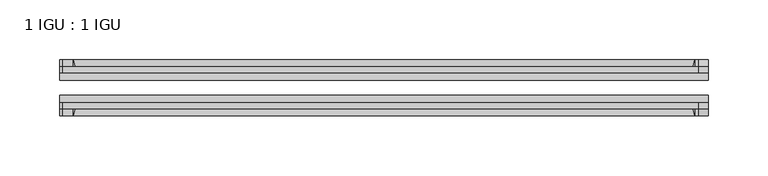
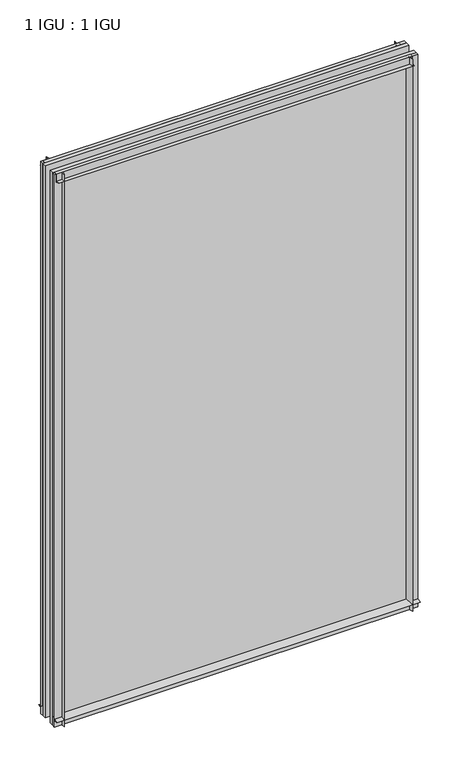
"""IFC4 building model written with IfcOpenShell, lengths in millimetres: plate geometry, 1 IGU : 1 IGU."""

from ifc_helpers import new_model, si_unit, point, frame, frame_2d, origin, place, context, project, spatial, polyline, circle_curve, trimmed, segment, composite_curve, outline, extrude, source, transform, mapped, element, save


def plate_1_igu_1_igu_b889bf08(model_context):
    return source(origin(), model_context, "Body", "SweptSolid", [
        extrude(outline(composite_curve([segment(trimmed(circle_curve(frame_2d((-28.0741797, 32.2797688)), 32.7673262), [point((-44.45, 3.8979053))], [point((-33.7058, 1.48e-05))], True, "CARTESIAN"), True, "CONTINUOUS"), segment(polyline([(-33.7058, 1.48e-05), (-39.6748, 1.48e-05), (-39.6748, -10.31875), (-44.45, -10.31875), (-44.45, 3.8979053)]), True, "CONTINUOUS")], self_intersect=False)), frame((-271.4557531, 0.0, 0.0), z_axis=(1.0, 0.0, 0.0), x_axis=(0.0, 1.0, 0.0)), (0.0, 0.0, 1.0), 542.9115062),
        extrude(outline(composite_curve([segment(trimmed(circle_curve(frame_2d((-86.2258203, 32.2797602)), 32.7673262), [point((-80.5942354, 0.0))], [point((-69.85, 3.8978967))], True, "CARTESIAN"), True, "CONTINUOUS"), segment(polyline([(-69.85, 3.8978967), (-69.85, -10.31875), (-74.6252, -10.31875), (-74.6252, 0.0), (-80.5942354, 0.0)]), True, "CONTINUOUS")], self_intersect=False)), frame((-271.4557531, 0.0, 0.0), z_axis=(1.0, 0.0, 0.0), x_axis=(0.0, 1.0, 0.0)), (0.0, 0.0, 1.0), 542.9115062),
        extrude(outline(composite_curve([segment(polyline([(-80.5942, 850.9), (-74.6252, 850.9), (-74.6252, 862.0125), (-69.85, 862.0125), (-69.85, 847.0021095)]), True, "CONTINUOUS"), segment(trimmed(circle_curve(frame_2d((-86.2258203, 818.620246)), 32.7673262), [point((-69.85, 847.0021095))], [point((-80.5942, 850.9))], True, "CARTESIAN"), True, "CONTINUOUS")], self_intersect=False)), frame((-268.8559918, 0.0, 0.0), z_axis=(1.0, 0.0, 0.0), x_axis=(0.0, 1.0, 0.0)), (0.0, 0.0, 1.0), 531.7452064),
        extrude(outline(composite_curve([segment(polyline([(-39.6748, 862.0125), (-39.6748, 850.9), (-33.7058, 850.9)]), True, "CONTINUOUS"), segment(trimmed(circle_curve(frame_2d((-28.0741797, 818.620246)), 32.7673262), [point((-33.7058, 850.9))], [point((-44.45, 847.0021095))], True, "CARTESIAN"), True, "CONTINUOUS"), segment(polyline([(-44.45, 847.0021095), (-44.45, 862.0125), (-39.6748, 862.0125)]), True, "CONTINUOUS")], self_intersect=False)), frame((-268.8559918, 0.0, 0.0), z_axis=(1.0, 0.0, 0.0), x_axis=(0.0, 1.0, 0.0)), (0.0, 0.0, 1.0), 531.7452064),
        extrude(outline(composite_curve([segment(polyline([(271.4557531, -39.6748), (271.4557531, -44.45), (256.4453626, -44.45)]), True, "CONTINUOUS"), segment(trimmed(circle_curve(frame_2d((228.0634992, -28.0741797)), 32.7673262), [point((256.4453626, -44.45))], [point((260.3432531, -33.7058))], True, "CARTESIAN"), True, "CONTINUOUS"), segment(polyline([(260.3432531, -33.7058), (260.3432531, -39.6748), (271.4557531, -39.6748)]), True, "CONTINUOUS")], self_intersect=False)), frame((0.0, 0.0, -10.31875), z_axis=(0.0, 0.0, 1.0), x_axis=(1.0, 0.0, 0.0)), (0.0, 0.0, 1.0), 872.33125),
        extrude(outline(composite_curve([segment(polyline([(271.4557531, -69.85), (271.4557531, -74.6252), (260.3432531, -74.6252), (260.3432531, -80.5942)]), True, "CONTINUOUS"), segment(trimmed(circle_curve(frame_2d((228.0634992, -86.2258203)), 32.7673262), [point((260.3432531, -80.5942))], [point((256.4453626, -69.85))], True, "CARTESIAN"), True, "CONTINUOUS"), segment(polyline([(256.4453626, -69.85), (271.4557531, -69.85)]), True, "CONTINUOUS")], self_intersect=False)), frame((0.0, 0.0, -10.31875), z_axis=(0.0, 0.0, 1.0), x_axis=(1.0, 0.0, 0.0)), (0.0, 0.0, 1.0), 872.33125),
        extrude(outline(composite_curve([segment(polyline([(-271.4557531, -39.6748), (-260.3432531, -39.6748), (-260.3432531, -33.7058)]), True, "CONTINUOUS"), segment(trimmed(circle_curve(frame_2d((-228.0634992, -28.0741797)), 32.7673262), [point((-260.3432531, -33.7058))], [point((-256.4453626, -44.45))], True, "CARTESIAN"), True, "CONTINUOUS"), segment(polyline([(-256.4453626, -44.45), (-271.4557531, -44.45), (-271.4557531, -39.6748)]), True, "CONTINUOUS")], self_intersect=False)), frame((0.0, 0.0, -10.31875), z_axis=(0.0, 0.0, 1.0), x_axis=(1.0, 0.0, 0.0)), (0.0, 0.0, 1.0), 872.33125),
        extrude(outline(composite_curve([segment(polyline([(-271.4557531, -74.6252), (-271.4557531, -69.85), (-256.4453626, -69.85)]), True, "CONTINUOUS"), segment(trimmed(circle_curve(frame_2d((-228.0634992, -86.2258203)), 32.7673262), [point((-256.4453626, -69.85))], [point((-260.3432531, -80.5942))], True, "CARTESIAN"), True, "CONTINUOUS"), segment(polyline([(-260.3432531, -80.5942), (-260.3432531, -74.6252), (-271.4557531, -74.6252)]), True, "CONTINUOUS")], self_intersect=False)), frame((0.0, 0.0, -10.31875), z_axis=(0.0, 0.0, 1.0), x_axis=(1.0, 0.0, 0.0)), (0.0, 0.0, 1.0), 872.33125),
        extrude(outline(polyline([(-271.4557531, -69.85), (-271.4557531, -63.5508), (271.4557531, -63.5508), (271.4557531, -69.85), (-271.4557531, -69.85)])), frame((0.0, 0.0, -10.31875), z_axis=(0.0, 0.0, 1.0), x_axis=(1.0, 0.0, 0.0)), (0.0, 0.0, 1.0), 872.33125),
        extrude(outline(polyline([(271.4557531, -50.7492), (-271.4557531, -50.7492), (-271.4557531, -44.45), (271.4557531, -44.45), (271.4557531, -50.7492)])), frame((0.0, 0.0, -10.31875), z_axis=(0.0, 0.0, 1.0), x_axis=(1.0, 0.0, 0.0)), (0.0, 0.0, 1.0), 872.33125),
    ])


if __name__ == "__main__":
    model = new_model("IFC4")
    model_context = context("Model", 3, world=origin())
    ifc_project = project(units=[si_unit("LENGTHUNIT", "METRE", prefix="MILLI")], contexts=[model_context])
    site = spatial("IfcSite", under=ifc_project)
    building = spatial("IfcBuilding", under=site)
    placement = place(None, origin())
    plate_1_igu_1_igu_shape = plate_1_igu_1_igu_b889bf08(model_context)
    element("IfcPlate", 1, ObjectType="1 IGU : 1 IGU", at=placement, inside=building, context=model_context, shape_type="MappedRepresentation", body=[
        mapped(plate_1_igu_1_igu_shape, transform((0.0, 0.0, 0.0), x_axis=(1.0, 0.0, 0.0), y_axis=(0.0, 1.0, 0.0), z_axis=(0.0, 0.0, 1.0))),
    ])
    save(model, "model.ifc")
